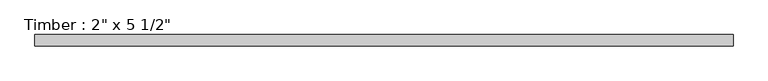
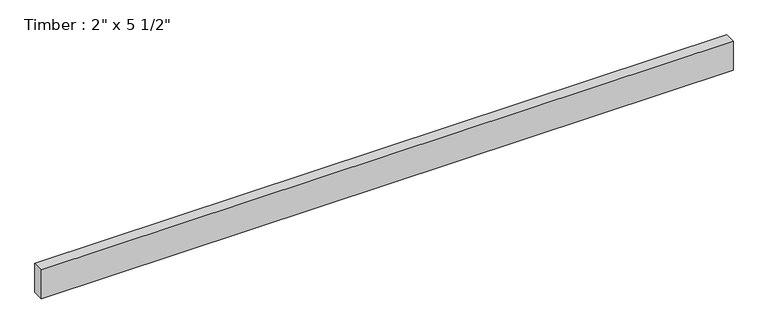
"""IFC4 building model written with IfcOpenShell, lengths in millimetres: beam geometry."""

import ifcopenshell
import ifcopenshell.guid

model = None  # the IFC model being written
_history = None  # IfcOwnerHistory: only IFC2X3 demands one
_inside = {}  # id of a spatial element -> (the spatial element, [elements in it])
_under = {}  # id of a project, library or spatial element -> (it, [spatial elements below it])
_declared = {}  # id of a project -> (the project, [libraries it declares])
_typed = {}  # id of a type object -> (the type object, [elements of that type])
_made_of = {}  # id of a material, layer set ... -> (it, [elements and type objects made of it])


def new_model(schema):
    """Start an empty IFC model of exactly this schema.

    Asked for "IFC4X3", IfcOpenShell would pick the latest addendum, in which some entities
    have other attributes; the version numbers below select the first issue.
    IFC2X3 requires an IfcOwnerHistory on every rooted entity: one is made here for all.
    """
    global model, _history
    if schema == "IFC4X3":
        model = ifcopenshell.file(schema_version=(4, 3, 0, 0))
    else:
        model = ifcopenshell.file(schema=schema)
    _inside.clear()
    _under.clear()
    _declared.clear()
    _typed.clear()
    _made_of.clear()
    _history = None
    if model.schema == "IFC2X3":
        org = make("IfcOrganization", Name="unknown")
        user = make(
            "IfcPersonAndOrganization",
            ThePerson=make("IfcPerson", FamilyName="unknown"),
            TheOrganization=org,
        )
        app = make(
            "IfcApplication",
            ApplicationDeveloper=org,
            Version="unknown",
            ApplicationFullName="unknown",
            ApplicationIdentifier="unknown",
        )
        _history = make(
            "IfcOwnerHistory",
            OwningUser=user,
            OwningApplication=app,
            ChangeAction="ADDED",
            CreationDate=0,
        )
    return model


def make(cls, **values):
    """One entity of the class cls with the attributes given. An attribute that is None is left unset."""
    return model.create_entity(
        cls, **{name: value for name, value in values.items() if value is not None}
    )


def rooted(cls, **values):
    """An entity with a GlobalId (a new one), such as an element, a storey or a relation."""
    return make(cls, GlobalId=ifcopenshell.guid.new(), OwnerHistory=_history, **values)


def si_unit(unit_type, name, prefix=None):
    """IfcSIUnit, for example si_unit("LENGTHUNIT", "METRE", prefix="MILLI")."""
    return make("IfcSIUnit", UnitType=unit_type, Prefix=prefix, Name=name)


def assignment(units):
    """IfcUnitAssignment: the units of a project."""
    return None if units is None else make("IfcUnitAssignment", Units=units)


def point(xyz):
    """IfcCartesianPoint."""
    return None if xyz is None else make("IfcCartesianPoint", Coordinates=xyz)


def direction(xyz):
    """IfcDirection."""
    return None if xyz is None else make("IfcDirection", DirectionRatios=xyz)


def frame(location, z_axis=None, x_axis=None):
    """IfcAxis2Placement3D, a coordinate frame: its origin and axes. An axis left out is left unset."""
    return make(
        "IfcAxis2Placement3D",
        Location=point(location),
        Axis=direction(z_axis),
        RefDirection=direction(x_axis),
    )


def origin():
    """The frame at (0, 0, 0) with its axes left unset."""
    return frame((0.0, 0.0, 0.0))


def place(relative_to, where):
    """IfcLocalPlacement: puts the frame where relative to a parent placement (None: the world)."""
    return make(
        "IfcLocalPlacement", PlacementRelTo=relative_to, RelativePlacement=where
    )


def context(
    kind, dimensions, precision=None, world=None, true_north=None, identifier=None
):
    """IfcGeometricRepresentationContext, for example the 3D "Model" context."""
    return make(
        "IfcGeometricRepresentationContext",
        ContextIdentifier=identifier,
        ContextType=kind,
        CoordinateSpaceDimension=dimensions,
        Precision=precision,
        WorldCoordinateSystem=world,
        TrueNorth=true_north,
    )


def project(units=None, contexts=None):
    """IfcProject with its units and contexts."""
    return rooted(
        "IfcProject",
        Name="project",
        RepresentationContexts=contexts,
        UnitsInContext=assignment(units),
    )


def spatial(cls, under=None, at=None, **own):
    """A site, building, storey or space (cls), placed at a placement, below another one or the project."""
    s = rooted(cls, ObjectPlacement=at, **own)
    if under is not None:
        _under.setdefault(under.id(), (under, []))[1].append(s)
    return s


def polyline(points):
    """IfcPolyline through the points."""
    return make("IfcPolyline", Points=[point(p) for p in points])


def outline(outer, holes=None, kind="AREA"):
    """IfcArbitraryClosedProfileDef: a profile drawn as a closed curve; with holes, ...WithVoids."""
    if holes is None:
        return make("IfcArbitraryClosedProfileDef", ProfileType=kind, OuterCurve=outer)
    return make(
        "IfcArbitraryProfileDefWithVoids",
        ProfileType=kind,
        OuterCurve=outer,
        InnerCurves=holes,
    )


def extrude(swept, where, along, depth):
    """IfcExtrudedAreaSolid: the profile swept, set in the frame where, extruded along a direction by depth."""
    return make(
        "IfcExtrudedAreaSolid",
        SweptArea=swept,
        Position=where,
        ExtrudedDirection=direction(along),
        Depth=depth,
    )


def shape(context_of_items, identifier, shape_type, items):
    """IfcShapeRepresentation: the items that make up one representation, for example the "Body"."""
    return make(
        "IfcShapeRepresentation",
        ContextOfItems=context_of_items,
        RepresentationIdentifier=identifier,
        RepresentationType=shape_type,
        Items=items,
    )


def source(mapping_origin, context_of_items, identifier, shape_type, items):
    """IfcRepresentationMap: a shape defined once, which mapped items show again and again."""
    return make(
        "IfcRepresentationMap",
        MappingOrigin=mapping_origin,
        MappedRepresentation=shape(context_of_items, identifier, shape_type, items),
    )


def transform(
    local_origin,
    x_axis=None,
    y_axis=None,
    z_axis=None,
    scale=None,
    scale2=None,
    scale3=None,
    uniform=True,
):
    """IfcCartesianTransformationOperator3D, or its non-uniform kind. x_axis, y_axis, z_axis: its Axis1, 2, 3."""
    if uniform:
        return make(
            "IfcCartesianTransformationOperator3D",
            Axis1=direction(x_axis),
            Axis2=direction(y_axis),
            LocalOrigin=point(local_origin),
            Scale=scale,
            Axis3=direction(z_axis),
        )
    return make(
        "IfcCartesianTransformationOperator3DnonUniform",
        Axis1=direction(x_axis),
        Axis2=direction(y_axis),
        LocalOrigin=point(local_origin),
        Scale=scale,
        Axis3=direction(z_axis),
        Scale2=scale2,
        Scale3=scale3,
    )


def mapped(mapping_source, mapping_target):
    """IfcMappedItem: shows the shape of a source again, moved by a transform."""
    return make(
        "IfcMappedItem", MappingSource=mapping_source, MappingTarget=mapping_target
    )


def made_of(thing, what):
    """Note that an element or type object is made of a material, layer set ...; save() writes the relation."""
    if what is not None:
        _made_of.setdefault(what.id(), (what, []))[1].append(thing)
    return thing


def element(
    cls,
    number,
    at=None,
    inside=None,
    cuts=None,
    type_object=None,
    material=None,
    context=None,
    identifier="Body",
    shape_type=None,
    held_by="IfcProductDefinitionShape",
    body=None,
    shapes=None,
    **own,
):
    """One element of the class cls, such as IfcWall. Its Tag is "e" and its number.

    at: its placement. inside: the storey or other place that contains it. cuts: it is an
    opening in that element (IfcRelVoidsElement). A single representation is given by context,
    identifier, shape_type and body (its items); several are given by shapes. held_by: the class
    of the entity that holds the representations. save() writes the other relations.
    """
    e = rooted(cls, Tag="e%d" % number, ObjectPlacement=at, **own)
    if body is not None:
        shapes = [shape(context, identifier, shape_type, body)]
    if shapes is not None:
        e.Representation = make(held_by, Representations=shapes)
    if inside is not None:
        _inside.setdefault(inside.id(), (inside, []))[1].append(e)
    if cuts is not None:
        rooted(
            "IfcRelVoidsElement", RelatingBuildingElement=cuts, RelatedOpeningElement=e
        )
    if type_object is not None:
        _typed.setdefault(type_object.id(), (type_object, []))[1].append(e)
    return made_of(e, material)


def aggregate(whole, parts):
    """IfcRelAggregates: a whole, such as a stair, and the parts it consists of."""
    return rooted("IfcRelAggregates", RelatingObject=whole, RelatedObjects=parts)


def save(model, path):
    """Write the relations noted so far, then the file.

    IfcRelAggregates (storeys below a building ...), IfcRelContainedInSpatialStructure (elements
    in a storey), IfcRelDefinesByType, IfcRelAssociatesMaterial and IfcRelDeclares: one each for
    every whole, place, type object, material and project.
    """
    for whole, parts in _under.values():
        aggregate(whole, parts)
    for where, things in _inside.values():
        rooted(
            "IfcRelContainedInSpatialStructure",
            RelatedElements=things,
            RelatingStructure=where,
        )
    for kind, things in _typed.values():
        rooted("IfcRelDefinesByType", RelatedObjects=things, RelatingType=kind)
    for what, things in _made_of.values():
        rooted("IfcRelAssociatesMaterial", RelatedObjects=things, RelatingMaterial=what)
    for by, libraries in _declared.values():
        rooted("IfcRelDeclares", RelatingContext=by, RelatedDefinitions=libraries)
    model.write(path)


def beam_7b43a7d0(model_context):
    return source(origin(), model_context, "Body", "SweptSolid", [
        extrude(outline(polyline([(1581.4669292, 25.4), (1581.4669292, -25.4), (-1581.4669292, -25.4), (-1581.4669292, 25.4), (1581.4669292, 25.4)])), frame((0.0, 0.0, -69.85), z_axis=(0.0, 0.0, 1.0), x_axis=(1.0, 0.0, 0.0)), (0.0, 0.0, 1.0), 139.7),
    ])


if __name__ == "__main__":
    model = new_model("IFC4")
    model_context = context("Model", 3, world=origin())
    ifc_project = project(units=[si_unit("LENGTHUNIT", "METRE", prefix="MILLI")], contexts=[model_context])
    site = spatial("IfcSite", under=ifc_project)
    building = spatial("IfcBuilding", under=site)
    placement = place(None, origin())
    beam_shape = beam_7b43a7d0(model_context)
    element("IfcBeam", 1, ObjectType="Timber : 2\" x 5 1/2\"", at=placement, inside=building, context=model_context, shape_type="MappedRepresentation", body=[
        mapped(beam_shape, transform((0.0, 0.0, 0.0), x_axis=(1.0, 0.0, 0.0), y_axis=(0.0, 1.0, 0.0), z_axis=(0.0, 0.0, 1.0))),
    ])
    save(model, "model.ifc")
